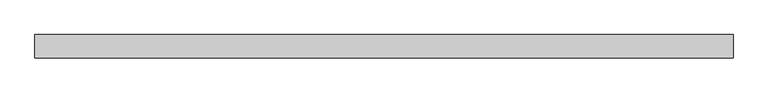
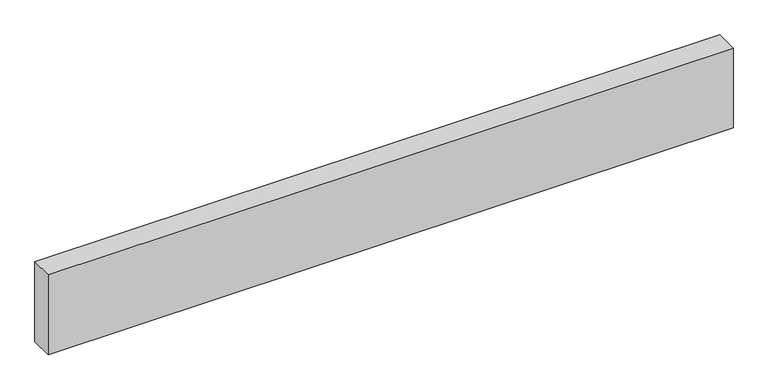
"""IFC4 building model written with IfcOpenShell, lengths in millimetres: beam geometry."""

import ifcopenshell
import ifcopenshell.guid

model = None  # the IFC model being written
_history = None  # IfcOwnerHistory: only IFC2X3 demands one
_inside = {}  # id of a spatial element -> (the spatial element, [elements in it])
_under = {}  # id of a project, library or spatial element -> (it, [spatial elements below it])
_declared = {}  # id of a project -> (the project, [libraries it declares])
_typed = {}  # id of a type object -> (the type object, [elements of that type])
_made_of = {}  # id of a material, layer set ... -> (it, [elements and type objects made of it])


def new_model(schema):
    """Start an empty IFC model of exactly this schema.

    Asked for "IFC4X3", IfcOpenShell would pick the latest addendum, in which some entities
    have other attributes; the version numbers below select the first issue.
    IFC2X3 requires an IfcOwnerHistory on every rooted entity: one is made here for all.
    """
    global model, _history
    if schema == "IFC4X3":
        model = ifcopenshell.file(schema_version=(4, 3, 0, 0))
    else:
        model = ifcopenshell.file(schema=schema)
    _inside.clear()
    _under.clear()
    _declared.clear()
    _typed.clear()
    _made_of.clear()
    _history = None
    if model.schema == "IFC2X3":
        org = make("IfcOrganization", Name="unknown")
        user = make(
            "IfcPersonAndOrganization",
            ThePerson=make("IfcPerson", FamilyName="unknown"),
            TheOrganization=org,
        )
        app = make(
            "IfcApplication",
            ApplicationDeveloper=org,
            Version="unknown",
            ApplicationFullName="unknown",
            ApplicationIdentifier="unknown",
        )
        _history = make(
            "IfcOwnerHistory",
            OwningUser=user,
            OwningApplication=app,
            ChangeAction="ADDED",
            CreationDate=0,
        )
    return model


def make(cls, **values):
    """One entity of the class cls with the attributes given. An attribute that is None is left unset."""
    return model.create_entity(
        cls, **{name: value for name, value in values.items() if value is not None}
    )


def rooted(cls, **values):
    """An entity with a GlobalId (a new one), such as an element, a storey or a relation."""
    return make(cls, GlobalId=ifcopenshell.guid.new(), OwnerHistory=_history, **values)


def si_unit(unit_type, name, prefix=None):
    """IfcSIUnit, for example si_unit("LENGTHUNIT", "METRE", prefix="MILLI")."""
    return make("IfcSIUnit", UnitType=unit_type, Prefix=prefix, Name=name)


def assignment(units):
    """IfcUnitAssignment: the units of a project."""
    return None if units is None else make("IfcUnitAssignment", Units=units)


def point(xyz):
    """IfcCartesianPoint."""
    return None if xyz is None else make("IfcCartesianPoint", Coordinates=xyz)


def direction(xyz):
    """IfcDirection."""
    return None if xyz is None else make("IfcDirection", DirectionRatios=xyz)


def frame(location, z_axis=None, x_axis=None):
    """IfcAxis2Placement3D, a coordinate frame: its origin and axes. An axis left out is left unset."""
    return make(
        "IfcAxis2Placement3D",
        Location=point(location),
        Axis=direction(z_axis),
        RefDirection=direction(x_axis),
    )


def origin():
    """The frame at (0, 0, 0) with its axes left unset."""
    return frame((0.0, 0.0, 0.0))


def place(relative_to, where):
    """IfcLocalPlacement: puts the frame where relative to a parent placement (None: the world)."""
    return make(
        "IfcLocalPlacement", PlacementRelTo=relative_to, RelativePlacement=where
    )


def context(
    kind, dimensions, precision=None, world=None, true_north=None, identifier=None
):
    """IfcGeometricRepresentationContext, for example the 3D "Model" context."""
    return make(
        "IfcGeometricRepresentationContext",
        ContextIdentifier=identifier,
        ContextType=kind,
        CoordinateSpaceDimension=dimensions,
        Precision=precision,
        WorldCoordinateSystem=world,
        TrueNorth=true_north,
    )


def project(units=None, contexts=None):
    """IfcProject with its units and contexts."""
    return rooted(
        "IfcProject",
        Name="project",
        RepresentationContexts=contexts,
        UnitsInContext=assignment(units),
    )


def spatial(cls, under=None, at=None, **own):
    """A site, building, storey or space (cls), placed at a placement, below another one or the project."""
    s = rooted(cls, ObjectPlacement=at, **own)
    if under is not None:
        _under.setdefault(under.id(), (under, []))[1].append(s)
    return s


def polyline(points):
    """IfcPolyline through the points."""
    return make("IfcPolyline", Points=[point(p) for p in points])


def outline(outer, holes=None, kind="AREA"):
    """IfcArbitraryClosedProfileDef: a profile drawn as a closed curve; with holes, ...WithVoids."""
    if holes is None:
        return make("IfcArbitraryClosedProfileDef", ProfileType=kind, OuterCurve=outer)
    return make(
        "IfcArbitraryProfileDefWithVoids",
        ProfileType=kind,
        OuterCurve=outer,
        InnerCurves=holes,
    )


def extrude(swept, where, along, depth):
    """IfcExtrudedAreaSolid: the profile swept, set in the frame where, extruded along a direction by depth."""
    return make(
        "IfcExtrudedAreaSolid",
        SweptArea=swept,
        Position=where,
        ExtrudedDirection=direction(along),
        Depth=depth,
    )


def shape(context_of_items, identifier, shape_type, items):
    """IfcShapeRepresentation: the items that make up one representation, for example the "Body"."""
    return make(
        "IfcShapeRepresentation",
        ContextOfItems=context_of_items,
        RepresentationIdentifier=identifier,
        RepresentationType=shape_type,
        Items=items,
    )


def source(mapping_origin, context_of_items, identifier, shape_type, items):
    """IfcRepresentationMap: a shape defined once, which mapped items show again and again."""
    return make(
        "IfcRepresentationMap",
        MappingOrigin=mapping_origin,
        MappedRepresentation=shape(context_of_items, identifier, shape_type, items),
    )


def transform(
    local_origin,
    x_axis=None,
    y_axis=None,
    z_axis=None,
    scale=None,
    scale2=None,
    scale3=None,
    uniform=True,
):
    """IfcCartesianTransformationOperator3D, or its non-uniform kind. x_axis, y_axis, z_axis: its Axis1, 2, 3."""
    if uniform:
        return make(
            "IfcCartesianTransformationOperator3D",
            Axis1=direction(x_axis),
            Axis2=direction(y_axis),
            LocalOrigin=point(local_origin),
            Scale=scale,
            Axis3=direction(z_axis),
        )
    return make(
        "IfcCartesianTransformationOperator3DnonUniform",
        Axis1=direction(x_axis),
        Axis2=direction(y_axis),
        LocalOrigin=point(local_origin),
        Scale=scale,
        Axis3=direction(z_axis),
        Scale2=scale2,
        Scale3=scale3,
    )


def mapped(mapping_source, mapping_target):
    """IfcMappedItem: shows the shape of a source again, moved by a transform."""
    return make(
        "IfcMappedItem", MappingSource=mapping_source, MappingTarget=mapping_target
    )


def made_of(thing, what):
    """Note that an element or type object is made of a material, layer set ...; save() writes the relation."""
    if what is not None:
        _made_of.setdefault(what.id(), (what, []))[1].append(thing)
    return thing


def element(
    cls,
    number,
    at=None,
    inside=None,
    cuts=None,
    type_object=None,
    material=None,
    context=None,
    identifier="Body",
    shape_type=None,
    held_by="IfcProductDefinitionShape",
    body=None,
    shapes=None,
    **own,
):
    """One element of the class cls, such as IfcWall. Its Tag is "e" and its number.

    at: its placement. inside: the storey or other place that contains it. cuts: it is an
    opening in that element (IfcRelVoidsElement). A single representation is given by context,
    identifier, shape_type and body (its items); several are given by shapes. held_by: the class
    of the entity that holds the representations. save() writes the other relations.
    """
    e = rooted(cls, Tag="e%d" % number, ObjectPlacement=at, **own)
    if body is not None:
        shapes = [shape(context, identifier, shape_type, body)]
    if shapes is not None:
        e.Representation = make(held_by, Representations=shapes)
    if inside is not None:
        _inside.setdefault(inside.id(), (inside, []))[1].append(e)
    if cuts is not None:
        rooted(
            "IfcRelVoidsElement", RelatingBuildingElement=cuts, RelatedOpeningElement=e
        )
    if type_object is not None:
        _typed.setdefault(type_object.id(), (type_object, []))[1].append(e)
    return made_of(e, material)


def aggregate(whole, parts):
    """IfcRelAggregates: a whole, such as a stair, and the parts it consists of."""
    return rooted("IfcRelAggregates", RelatingObject=whole, RelatedObjects=parts)


def save(model, path):
    """Write the relations noted so far, then the file.

    IfcRelAggregates (storeys below a building ...), IfcRelContainedInSpatialStructure (elements
    in a storey), IfcRelDefinesByType, IfcRelAssociatesMaterial and IfcRelDeclares: one each for
    every whole, place, type object, material and project.
    """
    for whole, parts in _under.values():
        aggregate(whole, parts)
    for where, things in _inside.values():
        rooted(
            "IfcRelContainedInSpatialStructure",
            RelatedElements=things,
            RelatingStructure=where,
        )
    for kind, things in _typed.values():
        rooted("IfcRelDefinesByType", RelatedObjects=things, RelatingType=kind)
    for what, things in _made_of.values():
        rooted("IfcRelAssociatesMaterial", RelatedObjects=things, RelatingMaterial=what)
    for by, libraries in _declared.values():
        rooted("IfcRelDeclares", RelatingContext=by, RelatedDefinitions=libraries)
    model.write(path)


def beam_688f2bd0(model_context):
    return source(origin(), model_context, "Body", "SweptSolid", [
        extrude(outline(polyline([(567.0351562, -19.05), (-567.0351563, -19.05), (-567.0351563, 19.05), (567.0351562, 19.05), (567.0351562, -19.05)])), frame((0.0, 0.0, -69.85), z_axis=(0.0, 0.0, 1.0), x_axis=(1.0, 0.0, 0.0)), (0.0, 0.0, 1.0), 139.7),
    ])


if __name__ == "__main__":
    model = new_model("IFC4")
    model_context = context("Model", 3, world=origin())
    ifc_project = project(units=[si_unit("LENGTHUNIT", "METRE", prefix="MILLI")], contexts=[model_context])
    site = spatial("IfcSite", under=ifc_project)
    building = spatial("IfcBuilding", under=site)
    placement = place(None, origin())
    beam_shape = beam_688f2bd0(model_context)
    element("IfcBeam", 1, at=placement, inside=building, context=model_context, shape_type="MappedRepresentation", body=[
        mapped(beam_shape, transform((0.0, 0.0, 0.0), x_axis=(1.0, 0.0, 0.0), y_axis=(0.0, 1.0, 0.0), z_axis=(0.0, 0.0, 1.0))),
    ])
    save(model, "model.ifc")
